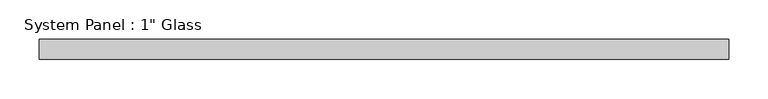
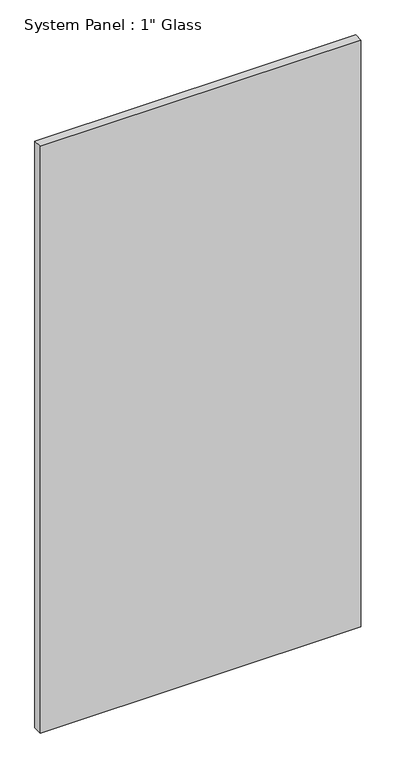
"""IFC4 building model written with IfcOpenShell, lengths in millimetres: plate geometry."""

from ifc_helpers import new_model, si_unit, origin, origin_with_axes, place, context, project, spatial, polyline, outline, extrude, source, transform, mapped, element, save


def plate_4be1414e(model_context):
    return source(origin(), model_context, "Body", "SweptSolid", [
        extrude(outline(polyline([(438.1967316, -12.7), (-438.1967316, -12.7), (-438.1967316, 12.7), (438.1967316, 12.7), (438.1967316, -12.7)])), origin_with_axes(), (0.0, 0.0, 1.0), 1695.45),
    ])


if __name__ == "__main__":
    model = new_model("IFC4")
    model_context = context("Model", 3, world=origin())
    ifc_project = project(units=[si_unit("LENGTHUNIT", "METRE", prefix="MILLI")], contexts=[model_context])
    site = spatial("IfcSite", under=ifc_project)
    building = spatial("IfcBuilding", under=site)
    placement = place(None, origin())
    plate_shape = plate_4be1414e(model_context)
    element("IfcPlate", 1, ObjectType="System Panel : 1\" Glass", at=placement, inside=building, context=model_context, shape_type="MappedRepresentation", body=[
        mapped(plate_shape, transform((0.0, 0.0, 0.0), x_axis=(1.0, 0.0, 0.0), y_axis=(0.0, 1.0, 0.0), z_axis=(0.0, 0.0, 1.0))),
    ])
    save(model, "model.ifc")
